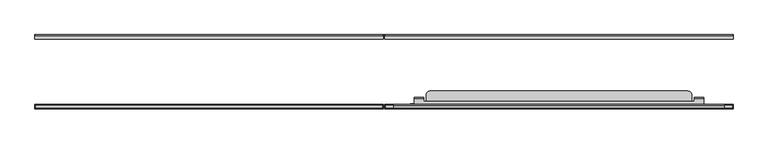
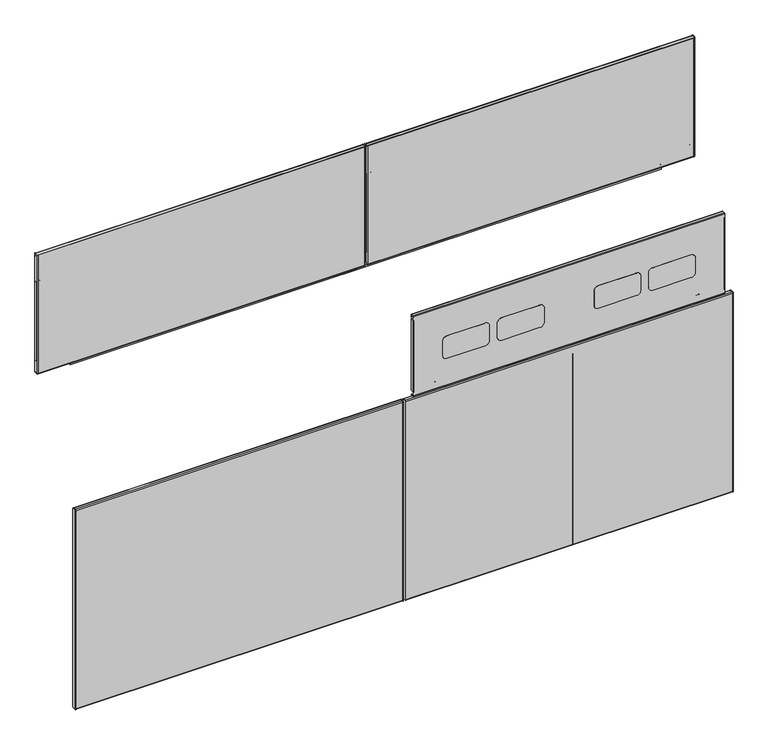
"""IFC4 building model written with IfcOpenShell, lengths in millimetres: furniture geometry."""

from ifc_helpers import new_model, si_unit, point, frame, frame_2d, origin, place, context, project, spatial, polyline, circle_curve, trimmed, segment, composite_curve, outline, extrude, source, transform, mapped, element, save
from ifc_brep_helpers import plane_surface, cylinder_surface, revolved_surface, advanced_brep


def furniture_cd7eec9d(model_context):
    return source(origin(), model_context, "Body", "SolidModel", [
        extrude(outline(composite_curve([segment(polyline([(734.9612073, 688.818702), (734.9612073, 1444.8539044), (745.1433918, 1444.8539044)]), True, "CONTINUOUS"), segment(trimmed(circle_curve(frame_2d((745.1433918, 1443.0360946)), 1.8178098), [point((745.1433918, 1444.8539044))], [point((746.9612016, 1443.0360946))], False, "CARTESIAN"), True, "CONTINUOUS"), segment(polyline([(746.9612016, 1443.0360946), (746.9612016, 690.2508917)]), True, "CONTINUOUS"), segment(trimmed(circle_curve(frame_2d((745.5290119, 690.2508917)), 1.4321897), [point((746.9612016, 690.2508917))], [point((745.5290119, 688.818702))], False, "CARTESIAN"), True, "CONTINUOUS"), segment(polyline([(745.5290119, 688.818702), (734.9612073, 688.818702)]), True, "CONTINUOUS")], self_intersect=False)), frame((0.0, -58.6781407, 0.0), z_axis=(0.0, 1.0, 0.0), x_axis=(0.0, 0.0, 1.0)), (0.0, 0.0, 1.0), 7.3431383),
        extrude(outline(composite_curve([segment(polyline([(825.6287108, 775.0859018), (960.2347544, 775.0859018)]), True, "CONTINUOUS"), segment(trimmed(circle_curve(frame_2d((960.2347544, 772.8594545)), 2.2264474), [point((960.2347544, 775.0859018))], [point((962.4612018, 772.8594545))], False, "CARTESIAN"), True, "CONTINUOUS"), segment(polyline([(962.4612018, 772.8594545), (962.4612018, 764.0000233), (769.9612512, 764.0000233), (769.9612512, 773.3819869)]), True, "CONTINUOUS"), segment(trimmed(circle_curve(frame_2d((771.6651662, 773.3819869)), 1.703915), [point((769.9612512, 773.3819869))], [point((771.6651662, 775.0859018))], False, "CARTESIAN"), True, "CONTINUOUS"), segment(polyline([(771.6651662, 775.0859018), (775.0827409, 775.0859018), (775.0827409, 769.4968534), (825.6287108, 769.4968534), (825.6287108, 775.0859018)]), True, "CONTINUOUS")], self_intersect=False)), frame((0.0, -58.6781407, 0.0), z_axis=(0.0, 1.0, 0.0), x_axis=(0.0, 0.0, 1.0)), (0.0, 0.0, 1.0), 7.3431383),
        extrude(outline(composite_curve([segment(polyline([(825.6287108, 1510.9878843), (825.6287108, 1516.5768844), (775.0827409, 1516.576885), (775.0827409, 1510.9878843), (771.3508741, 1510.9878843)]), True, "CONTINUOUS"), segment(trimmed(circle_curve(frame_2d((771.3508741, 1512.3775072)), 1.3896229), [point((771.3508741, 1510.9878843))], [point((769.9612512, 1512.3775072))], False, "CARTESIAN"), True, "CONTINUOUS"), segment(polyline([(769.9612512, 1512.3775072), (769.9612512, 1522.0000044), (962.4612018, 1522.0000044), (962.4612018, 1512.5471973)]), True, "CONTINUOUS"), segment(trimmed(circle_curve(frame_2d((960.9018888, 1512.5471973)), 1.559313), [point((962.4612018, 1512.5471973))], [point((960.9018888, 1510.9878843))], False, "CARTESIAN"), True, "CONTINUOUS"), segment(polyline([(960.9018888, 1510.9878843), (825.6287108, 1510.9878843)]), True, "CONTINUOUS")], self_intersect=False)), frame((0.0, -58.6781407, 0.0), z_axis=(0.0, 1.0, 0.0), x_axis=(0.0, 0.0, 1.0)), (0.0, 0.0, 1.0), 7.3431383),
        extrude(outline(polyline([(764.0000233, -51.3350025), (1522.0000044, -51.3350025), (1522.0000044, -60.8600025), (764.0000233, -60.8600025), (764.0000233, -51.3350025)])), frame((0.0, 0.0, 740.3599691), z_axis=(0.0, 0.0, 1.0), x_axis=(1.0, 0.0, 0.0)), (0.0, 0.0, 1.0), 0.9118629),
        extrude(outline(composite_curve([segment(trimmed(circle_curve(frame_2d((-53.4811786, 1029.2138314)), 1.2343177), [point((-52.2468609, 1029.2138314))], [point((-53.4811786, 1030.4481491))], True, "CARTESIAN"), True, "CONTINUOUS"), segment(polyline([(-53.4811786, 1030.4481491), (-60.8600025, 1030.4481491), (-60.8600025, 1031.3600121), (-53.3140334, 1031.3600121)]), True, "CONTINUOUS"), segment(trimmed(circle_curve(frame_2d((-53.3140334, 1029.3809811)), 1.9790309), [point((-53.3140334, 1031.3600121))], [point((-51.3350025, 1029.3809811))], False, "CARTESIAN"), True, "CONTINUOUS"), segment(polyline([(-51.3350025, 1029.3809811), (-51.3350025, 1023.3599916), (-52.2468609, 1023.3599916), (-52.2468609, 1029.2138314)]), True, "CONTINUOUS")], self_intersect=False)), frame((764.0000233, 0.0, 0.0), z_axis=(1.0, 0.0, 0.0), x_axis=(0.0, 1.0, 0.0)), (0.0, 0.0, 1.0), 757.9999811),
        extrude(outline(composite_curve([segment(polyline([(1522.0000044, -51.3350025), (1522.0000044, -58.637242)]), True, "CONTINUOUS"), segment(trimmed(circle_curve(frame_2d((1519.7772439, -58.637242)), 2.2227605), [point((1522.0000044, -58.637242))], [point((1519.7772439, -60.8600025))], False, "CARTESIAN"), True, "CONTINUOUS"), segment(polyline([(1519.7772439, -60.8600025), (766.5400233, -60.8600025)]), True, "CONTINUOUS"), segment(trimmed(circle_curve(frame_2d((766.5400233, -58.3200025)), 2.54), [point((766.5400233, -60.8600025))], [point((764.0000233, -58.3200025))], False, "CARTESIAN"), True, "CONTINUOUS"), segment(polyline([(764.0000233, -58.3200025), (764.0000233, -51.3350025), (764.927504, -51.3350025), (764.927504, -58.5359447)]), True, "CONTINUOUS"), segment(trimmed(circle_curve(frame_2d((766.3396987, -58.5359447)), 1.4121948), [point((764.927504, -58.5359447))], [point((766.3396987, -59.9481395))], True, "CARTESIAN"), True, "CONTINUOUS"), segment(polyline([(766.3396987, -59.9481395), (1519.9706627, -59.9481395)]), True, "CONTINUOUS"), segment(trimmed(circle_curve(frame_2d((1519.9706627, -58.8306579)), 1.1174816), [point((1519.9706627, -59.9481395))], [point((1521.0881443, -58.8306579))], True, "CARTESIAN"), True, "CONTINUOUS"), segment(polyline([(1521.0881443, -58.8306579), (1521.0881443, -51.3350025), (1522.0000044, -51.3350025)]), True, "CONTINUOUS")], self_intersect=False)), frame((0.0, 0.0, 740.3599691), z_axis=(0.0, 0.0, 1.0), x_axis=(1.0, 0.0, 0.0)), (0.0, 0.0, 1.0), 291.0000429),
        extrude(outline(composite_curve([segment(polyline([(734.9612073, 835.181298), (745.5290119, 835.181298)]), True, "CONTINUOUS"), segment(trimmed(circle_curve(frame_2d((745.5290119, 833.7491083)), 1.4321897), [point((745.5290119, 835.181298))], [point((746.9612016, 833.7491083))], False, "CARTESIAN"), True, "CONTINUOUS"), segment(polyline([(746.9612016, 833.7491083), (746.9612016, 80.9639054)]), True, "CONTINUOUS"), segment(trimmed(circle_curve(frame_2d((745.1433918, 80.9639054)), 1.8178098), [point((746.9612016, 80.9639054))], [point((745.1433918, 79.1460956))], False, "CARTESIAN"), True, "CONTINUOUS"), segment(polyline([(745.1433918, 79.1460956), (734.9612073, 79.1460956), (734.9612073, 835.181298)]), True, "CONTINUOUS")], self_intersect=False)), frame((0.0, -58.6781407, 0.0), z_axis=(0.0, 1.0, 0.0), x_axis=(0.0, 0.0, 1.0)), (0.0, 0.0, 1.0), 7.3431383),
        extrude(outline(composite_curve([segment(polyline([(825.6287108, 748.9140982), (825.6287108, 754.5031466), (775.0827409, 754.5031466), (775.0827409, 748.9140982), (771.6651662, 748.9140982)]), True, "CONTINUOUS"), segment(trimmed(circle_curve(frame_2d((771.6651662, 750.6180131)), 1.703915), [point((771.6651662, 748.9140982))], [point((769.9612512, 750.6180131))], False, "CARTESIAN"), True, "CONTINUOUS"), segment(polyline([(769.9612512, 750.6180131), (769.9612512, 759.9999767), (962.4612018, 759.9999767), (962.4612018, 751.1405455)]), True, "CONTINUOUS"), segment(trimmed(circle_curve(frame_2d((960.2347544, 751.1405455)), 2.2264474), [point((962.4612018, 751.1405455))], [point((960.2347544, 748.9140982))], False, "CARTESIAN"), True, "CONTINUOUS"), segment(polyline([(960.2347544, 748.9140982), (825.6287108, 748.9140982)]), True, "CONTINUOUS")], self_intersect=False)), frame((0.0, -58.6781407, 0.0), z_axis=(0.0, 1.0, 0.0), x_axis=(0.0, 0.0, 1.0)), (0.0, 0.0, 1.0), 7.3431383),
        extrude(outline(composite_curve([segment(polyline([(825.6287108, 13.0121157), (960.9018888, 13.0121157)]), True, "CONTINUOUS"), segment(trimmed(circle_curve(frame_2d((960.9018888, 11.4528027)), 1.559313), [point((960.9018888, 13.0121157))], [point((962.4612018, 11.4528027))], False, "CARTESIAN"), True, "CONTINUOUS"), segment(polyline([(962.4612018, 11.4528027), (962.4612018, 1.9999956), (769.9612512, 1.9999956), (769.9612512, 11.6224928)]), True, "CONTINUOUS"), segment(trimmed(circle_curve(frame_2d((771.3508741, 11.6224928)), 1.3896229), [point((769.9612512, 11.6224928))], [point((771.3508741, 13.0121157))], False, "CARTESIAN"), True, "CONTINUOUS"), segment(polyline([(771.3508741, 13.0121157), (775.0827409, 13.0121157), (775.0827409, 7.423115), (825.6287108, 7.4231156), (825.6287108, 13.0121157)]), True, "CONTINUOUS")], self_intersect=False)), frame((0.0, -58.6781407, 0.0), z_axis=(0.0, 1.0, 0.0), x_axis=(0.0, 0.0, 1.0)), (0.0, 0.0, 1.0), 7.3431383),
        extrude(outline(polyline([(759.9999767, -51.3350025), (759.9999767, -60.8600025), (1.9999956, -60.8600025), (1.9999956, -51.3350025), (759.9999767, -51.3350025)])), frame((0.0, 0.0, 740.3599691), z_axis=(0.0, 0.0, 1.0), x_axis=(1.0, 0.0, 0.0)), (0.0, 0.0, 1.0), 0.9118629),
        extrude(outline(composite_curve([segment(trimmed(circle_curve(frame_2d((-53.4811786, 1029.2138314)), 1.2343177), [point((-52.2468609, 1029.2138314))], [point((-53.4811786, 1030.4481491))], True, "CARTESIAN"), True, "CONTINUOUS"), segment(polyline([(-53.4811786, 1030.4481491), (-60.8600025, 1030.4481491), (-60.8600025, 1031.3600121), (-53.3140334, 1031.3600121)]), True, "CONTINUOUS"), segment(trimmed(circle_curve(frame_2d((-53.3140334, 1029.3809811)), 1.9790309), [point((-53.3140334, 1031.3600121))], [point((-51.3350025, 1029.3809811))], False, "CARTESIAN"), True, "CONTINUOUS"), segment(polyline([(-51.3350025, 1029.3809811), (-51.3350025, 1023.3599916), (-52.2468609, 1023.3599916), (-52.2468609, 1029.2138314)]), True, "CONTINUOUS")], self_intersect=False)), frame((1.9999956, 0.0, 0.0), z_axis=(1.0, 0.0, 0.0), x_axis=(0.0, 1.0, 0.0)), (0.0, 0.0, 1.0), 757.9999811),
        extrude(outline(composite_curve([segment(polyline([(1.9999956, -51.3350025), (2.9118557, -51.3350025), (2.9118557, -58.8306579)]), True, "CONTINUOUS"), segment(trimmed(circle_curve(frame_2d((4.0293373, -58.8306579)), 1.1174816), [point((2.9118557, -58.8306579))], [point((4.0293373, -59.9481395))], True, "CARTESIAN"), True, "CONTINUOUS"), segment(polyline([(4.0293373, -59.9481395), (757.6603013, -59.9481395)]), True, "CONTINUOUS"), segment(trimmed(circle_curve(frame_2d((757.6603013, -58.5359447)), 1.4121948), [point((757.6603013, -59.9481395))], [point((759.072496, -58.5359447))], True, "CARTESIAN"), True, "CONTINUOUS"), segment(polyline([(759.072496, -58.5359447), (759.072496, -51.3350025), (759.9999767, -51.3350025), (759.9999767, -58.3200025)]), True, "CONTINUOUS"), segment(trimmed(circle_curve(frame_2d((757.4599767, -58.3200025)), 2.54), [point((759.9999767, -58.3200025))], [point((757.4599767, -60.8600025))], False, "CARTESIAN"), True, "CONTINUOUS"), segment(polyline([(757.4599767, -60.8600025), (4.2227561, -60.8600025)]), True, "CONTINUOUS"), segment(trimmed(circle_curve(frame_2d((4.2227561, -58.637242)), 2.2227605), [point((4.2227561, -60.8600025))], [point((1.9999956, -58.637242))], False, "CARTESIAN"), True, "CONTINUOUS"), segment(polyline([(1.9999956, -58.637242), (1.9999956, -51.3350025)]), True, "CONTINUOUS")], self_intersect=False)), frame((0.0, 0.0, 740.3599691), z_axis=(0.0, 0.0, 1.0), x_axis=(1.0, 0.0, 0.0)), (0.0, 0.0, 1.0), 291.0000429),
        extrude(outline(polyline([(1161.8214166, -206.4751401), (1155.9540058, -206.4751401), (1155.1919884, -206.6793172), (1154.6341736, -207.2371399), (1154.4300073, -207.9991398), (1154.4300073, -209.3239397), (1154.0250538, -210.8352397), (1152.9186896, -211.9415885), (1151.4074083, -212.3465398), (1134.6082399, -212.3465398), (1133.0969586, -211.9415885), (1131.9905945, -210.8352397), (1131.585641, -209.3239397), (1131.585641, -207.9991398), (1131.3814747, -207.2371399), (1130.8236599, -206.6793172), (1130.0616425, -206.4751401), (1124.1942317, -206.4751401), (1124.1942317, -204.97654), (1130.0616425, -204.97654), (1131.5729601, -205.3814916), (1132.6792879, -206.48784), (1133.0842414, -207.9991398), (1133.0842414, -209.3239397), (1133.2884077, -210.0859401), (1133.8462588, -210.6437628), (1134.6082399, -210.8479399), (1151.4074083, -210.8479399), (1152.1693894, -210.6437628), (1152.7272406, -210.0859401), (1152.9314069, -209.3239397), (1152.9314069, -207.9991398), (1153.3363604, -206.48784), (1154.4426882, -205.3814916), (1155.9540058, -204.97654), (1161.8214166, -204.97654), (1161.8214166, -206.4751401)])), frame((0.0, 0.0, 13.511849), z_axis=(0.0, 0.0, 1.0), x_axis=(1.0, 0.0, 0.0)), (0.0, 0.0, 1.0), 465.0000042),
        extrude(outline(composite_curve([segment(polyline([(-206.0205708, 12.9809891), (-213.2583999, 12.9809891), (-213.2583999, 500.6190067), (-205.8612792, 500.6190067)]), True, "CONTINUOUS"), segment(trimmed(circle_curve(frame_2d((-205.8612792, 498.4911276)), 2.1278792), [point((-205.8612792, 500.6190067))], [point((-203.7334, 498.4911276))], False, "CARTESIAN"), True, "CONTINUOUS"), segment(polyline([(-203.7334, 498.4911276), (-203.7334, 15.2681599)]), True, "CONTINUOUS"), segment(trimmed(circle_curve(frame_2d((-206.0205708, 15.2681599)), 2.2871708), [point((-203.7334, 15.2681599))], [point((-206.0205708, 12.9809891))], False, "CARTESIAN"), True, "CONTINUOUS")], self_intersect=False)), frame((764.0000233, 0.0, 0.0), z_axis=(1.0, 0.0, 0.0), x_axis=(0.0, 1.0, 0.0)), (0.0, 0.0, 1.0), 0.9274807),
        extrude(outline(composite_curve([segment(polyline([(-206.0205708, 12.9809891), (-213.2583999, 12.9809891), (-213.2583999, 500.6190067), (-205.8612792, 500.6190067)]), True, "CONTINUOUS"), segment(trimmed(circle_curve(frame_2d((-205.8612792, 498.4911276)), 2.1278792), [point((-205.8612792, 500.6190067))], [point((-203.7334, 498.4911276))], False, "CARTESIAN"), True, "CONTINUOUS"), segment(polyline([(-203.7334, 498.4911276), (-203.7334, 15.2681599)]), True, "CONTINUOUS"), segment(trimmed(circle_curve(frame_2d((-206.0205708, 15.2681599)), 2.2871708), [point((-203.7334, 15.2681599))], [point((-206.0205708, 12.9809891))], False, "CARTESIAN"), True, "CONTINUOUS")], self_intersect=False)), frame((1521.0881443, 0.0, 0.0), z_axis=(1.0, 0.0, 0.0), x_axis=(0.0, 1.0, 0.0)), (0.0, 0.0, 1.0), 0.9118601),
        extrude(outline(polyline([(76.8619872, 764.927504), (76.8619872, 777.049019), (156.5539797, 777.049019), (156.5539797, 771.4600188), (207.099986, 771.4600188), (207.099986, 777.049019), (437.5000033, 777.049019), (437.5000033, 764.927504), (76.8619872, 764.927504)])), frame((0.0, -204.82433, 0.0), z_axis=(0.0, 1.0, 0.0), x_axis=(0.0, 0.0, 1.0)), (0.0, 0.0, 1.0), 0.7986162),
        extrude(outline(polyline([(76.8619872, 1521.0881443), (437.5000033, 1521.0881443), (437.5000033, 1510.9510043), (207.099986, 1510.9510043), (207.099986, 1516.5400044), (156.5539797, 1516.5400044), (156.5539797, 1510.9510043), (76.8619872, 1510.9510043), (76.8619872, 1521.0881443)])), frame((0.0, -204.82433, 0.0), z_axis=(0.0, 1.0, 0.0), x_axis=(0.0, 0.0, 1.0)), (0.0, 0.0, 1.0), 0.7986162),
        extrude(outline(composite_curve([segment(trimmed(circle_curve(frame_2d((-206.0131195, 498.7202595)), 2.2797196), [point((-206.0131195, 500.9999791))], [point((-203.7334, 498.7202595))], False, "CARTESIAN"), True, "CONTINUOUS"), segment(polyline([(-203.7334, 498.7202595), (-203.7334, 486.0902061), (-204.64526, 486.0902061), (-204.64526, 498.7756083)]), True, "CONTINUOUS"), segment(trimmed(circle_curve(frame_2d((-205.9577679, 498.7756083)), 1.3125079), [point((-204.64526, 498.7756083))], [point((-205.9577679, 500.0881162))], True, "CARTESIAN"), True, "CONTINUOUS"), segment(polyline([(-205.9577679, 500.0881162), (-211.0778208, 500.0881162)]), True, "CONTINUOUS"), segment(trimmed(circle_curve(frame_2d((-211.0778208, 498.8193972)), 1.2687189), [point((-211.0778208, 500.0881162))], [point((-212.3465398, 498.8193972))], True, "CARTESIAN"), True, "CONTINUOUS"), segment(polyline([(-212.3465398, 498.8193972), (-212.3465398, 14.9389212)]), True, "CONTINUOUS"), segment(trimmed(circle_curve(frame_2d((-210.9194675, 14.9389212)), 1.4270722), [point((-212.3465398, 14.9389212))], [point((-210.9194675, 13.511849))], True, "CARTESIAN"), True, "CONTINUOUS"), segment(polyline([(-210.9194675, 13.511849), (-205.9776146, 13.511849)]), True, "CONTINUOUS"), segment(trimmed(circle_curve(frame_2d((-205.9776146, 14.8442036)), 1.3323546), [point((-205.9776146, 13.511849))], [point((-204.64526, 14.8442036))], True, "CARTESIAN"), True, "CONTINUOUS"), segment(polyline([(-204.64526, 14.8442036), (-204.64526, 24.5989482), (-203.7334, 24.5989482), (-203.7334, 14.8055187)]), True, "CONTINUOUS"), segment(trimmed(circle_curve(frame_2d((-205.9389292, 14.8055187)), 2.2055292), [point((-203.7334, 14.8055187))], [point((-205.9389292, 12.5999894))], False, "CARTESIAN"), True, "CONTINUOUS"), segment(polyline([(-205.9389292, 12.5999894), (-211.149738, 12.5999894)]), True, "CONTINUOUS"), segment(trimmed(circle_curve(frame_2d((-211.149738, 14.7086513)), 2.1086618), [point((-211.149738, 12.5999894))], [point((-213.2583999, 14.7086513))], False, "CARTESIAN"), True, "CONTINUOUS"), segment(polyline([(-213.2583999, 14.7086513), (-213.2583999, 498.8134963)]), True, "CONTINUOUS"), segment(trimmed(circle_curve(frame_2d((-211.0719171, 498.8134963)), 2.1864828), [point((-213.2583999, 498.8134963))], [point((-211.0719171, 500.9999791))], False, "CARTESIAN"), True, "CONTINUOUS"), segment(polyline([(-211.0719171, 500.9999791), (-206.0131195, 500.9999791)]), True, "CONTINUOUS")], self_intersect=False)), frame((764.927504, 0.0, 0.0), z_axis=(1.0, 0.0, 0.0), x_axis=(0.0, 1.0, 0.0)), (0.0, 0.0, 1.0), 756.1606403),
        advanced_brep(
        [(828.3614149, -189.0734003, 484.7619804), (828.3614149, -189.0734003, 502.380488), (828.3614149, -190.6453154, 503.9524031), (828.3614149, -205.2802599, 503.9524031), (828.3614149, -205.2802599, 504.7619951), (828.3614149, -190.2544323, 504.7619951), (828.3614149, -188.2141807, 502.7217435), (828.3614149, -188.2141807, 484.7619804), (1457.6385987, -189.0734003, 484.7619804), (1457.6385987, -188.2141807, 484.7619804), (1457.6385987, -188.2141807, 502.7217435), (1457.6385987, -190.2544323, 504.7619951), (1457.6385987, -205.2802599, 504.7619951), (1457.6385987, -205.2802599, 503.9524031), (1457.6385987, -190.6453154, 503.9524031), (1457.6385987, -189.0734003, 502.380488), (1437.6385977, -189.0734003, 484.7619804), (1437.6385977, -188.2141807, 484.7619804), (848.3614296, -188.2141807, 484.7619804), (848.3614296, -189.0734003, 484.7619804), (1437.6385977, -188.2141807, 502.7217435), (848.3614296, -188.2141807, 502.7217435), (1437.6385977, -190.2544323, 504.7619951), (848.3614296, -190.2544323, 504.7619951), (1437.6385977, -196.3134, 504.7619951), (848.3614296, -196.3134, 504.7619951), (848.3614296, -190.6453154, 503.9524031), (848.3614296, -196.3134, 503.9524031), (1437.6385977, -196.3134, 503.9524031), (1437.6385977, -190.6453154, 503.9524031), (1437.6385977, -189.0734003, 502.380488), (848.3614296, -189.0734003, 502.380488)],
        [
            (0, 1),
            (1, 2, circle_curve(frame((828.3614149, -190.6453154, 502.380488), z_axis=(1.0, 0.0, 0.0), x_axis=(0.0, 1.0, 0.0)), 1.571915)),
            (2, 3),
            (3, 4),
            (4, 5),
            (5, 6, circle_curve(frame((828.3614149, -190.2544323, 502.7217435), z_axis=(-1.0, 0.0, 0.0), x_axis=(0.0, 1.0, 0.0)), 2.0402516)),
            (6, 7),
            (7, 0),
            (8, 9),
            (9, 10),
            (10, 11, circle_curve(frame((1457.6385987, -190.2544323, 502.7217435), z_axis=(1.0, 0.0, 0.0), x_axis=(0.0, 1.0, 0.0)), 2.0402516)),
            (11, 12),
            (12, 13),
            (13, 14),
            (14, 15, circle_curve(frame((1457.6385987, -190.6453154, 502.380488), z_axis=(-1.0, 0.0, 0.0), x_axis=(0.0, 1.0, 0.0)), 1.571915)),
            (15, 8),
            (8, 16),
            (16, 17),
            (17, 9),
            (7, 18),
            (18, 19),
            (19, 0),
            (17, 20),
            (20, 10),
            (6, 21),
            (21, 18),
            (20, 22, circle_curve(frame((1437.6385977, -190.2544323, 502.7217435), z_axis=(1.0, 0.0, 0.0), x_axis=(0.0, 1.0, 0.0)), 2.0402516)),
            (22, 11),
            (5, 23),
            (23, 21, circle_curve(frame((848.3614296, -190.2544323, 502.7217435), z_axis=(-1.0, 0.0, 0.0), x_axis=(0.0, 1.0, 0.0)), 2.0402516)),
            (4, 12),
            (22, 24),
            (24, 25),
            (25, 23),
            (3, 13),
            (2, 26),
            (26, 27),
            (27, 28),
            (28, 29),
            (29, 14),
            (29, 30, circle_curve(frame((1437.6385977, -190.6453154, 502.380488), z_axis=(-1.0, 0.0, 0.0), x_axis=(0.0, 1.0, 0.0)), 1.571915)),
            (30, 15),
            (1, 31),
            (31, 26, circle_curve(frame((848.3614296, -190.6453154, 502.380488), z_axis=(1.0, 0.0, 0.0), x_axis=(0.0, 1.0, 0.0)), 1.571915)),
            (19, 31),
            (30, 16),
            (27, 25),
            (24, 28),
        ],
        [
            plane_surface(frame((828.3614149, -189.0734003, 484.7619804), z_axis=(-1.0, 0.0, 0.0), x_axis=(0.0, 1.0, 0.0))),
            plane_surface(frame((1457.6385987, -189.0734003, 484.7619804), z_axis=(1.0, 0.0, 0.0), x_axis=(0.0, -1.0, 0.0))),
            plane_surface(frame((828.3614149, -189.0734003, 484.7619804), z_axis=(0.0, 0.0, -1.0), x_axis=(1.0, 0.0, 0.0))),
            plane_surface(frame((828.3614149, -188.2141807, 484.7619804), z_axis=(0.0, 1.0, 0.0), x_axis=(1.0, 0.0, 0.0))),
            cylinder_surface(frame((1457.6385987, -190.2544323, 502.7217435), z_axis=(-1.0, 0.0, 0.0), x_axis=(0.0, 1.0, 0.0)), 2.0402516),
            plane_surface(frame((828.3614149, -190.2544323, 504.7619951), z_axis=(0.0, 0.0, 1.0), x_axis=(1.0, 0.0, 0.0))),
            plane_surface(frame((828.3614149, -205.2802599, 504.7619951), z_axis=(0.0, -1.0, 0.0), x_axis=(1.0, 0.0, 0.0))),
            plane_surface(frame((828.3614149, -205.2802599, 503.9524031), z_axis=(0.0, 0.0, -1.0), x_axis=(1.0, 0.0, 0.0))),
            revolved_surface(polyline([(1457.6385987, -189.0734004, 502.380488), (1437.6385977, -189.0734004, 502.380488)]), (1457.6385987, -190.6453154, 502.380488), (1.0, 0.0, 0.0)),
            revolved_surface(polyline([(848.3614296, -189.0734004, 502.380488), (828.3614149, -189.0734004, 502.380488)]), (1457.6385987, -190.6453154, 502.380488), (1.0, 0.0, 0.0)),
            plane_surface(frame((828.3614149, -189.0734003, 502.380488), z_axis=(0.0, -1.0, 0.0), x_axis=(1.0, 0.0, 0.0))),
            plane_surface(frame((1437.6385977, -196.3134, 504.7619951), z_axis=(0.0, 1.0, 0.0), x_axis=(0.0, 0.0, -1.0))),
            plane_surface(frame((848.3614296, -196.3134, 504.7619951), z_axis=(1.0, 0.0, 0.0), x_axis=(0.0, 0.0, -1.0))),
            plane_surface(frame((1437.6385977, -188.2141807, 504.7619951), z_axis=(-1.0, 0.0, 0.0), x_axis=(0.0, 0.0, -1.0))),
        ],
        [
            (0, [[1, 2, 3, 4, 5, 6, 7, 8]]),
            (1, [[9, 10, 11, 12, 13, 14, 15, 16]]),
            (2, [[17, 18, 19, -9]]),
            (2, [[20, 21, 22, -8]]),
            (3, [[-19, 23, 24, -10]]),
            (3, [[25, 26, -20, -7]]),
            (4, [[-24, 27, 28, -11]]),
            (4, [[29, 30, -25, -6]]),
            (5, [[31, -12, -28, 32, 33, 34, -29, -5]]),
            (6, [[35, -13, -31, -4]]),
            (7, [[36, 37, 38, 39, 40, -14, -35, -3]]),
            (8, [[-40, 41, 42, -15]]),
            (9, [[43, 44, -36, -2]]),
            (10, [[-22, 45, -43, -1]]),
            (10, [[-42, 46, -17, -16]]),
            (11, [[-38, 47, -33, 48]]),
            (12, [[-37, -44, -45, -21, -26, -30, -34, -47]]),
            (13, [[-32, -27, -23, -18, -46, -41, -39, -48]]),
        ],
    ),
        advanced_brep(
        [(819.211392, -202.8234, 481.0000008), (819.211392, -203.7334, 481.0000008), (819.211392, -203.7334, 499.164291), (819.211392, -202.3166887, 500.9515261), (819.211392, -202.3166887, 500.0149173), (819.211392, -202.8234, 499.2323507), (1466.8000031, -203.7334, 481.0000008), (1466.8000031, -203.20254, 481.0000008), (1466.8000031, -203.20254, 500.4554821), (1466.8000031, -203.7334, 499.164291), (1457.6385987, -202.8234, 499.2323507), (1457.6385987, -202.8234, 481.0000008), (830.3614154, -202.3166887, 500.0149173), (830.3614154, -201.9657451, 500.0900056), (1457.6385987, -201.9657451, 500.0900056), (1431.7886005, -181.7333994, 500.0900056), (1431.7886005, -196.3134, 500.0900056), (1457.6385987, -196.3134, 500.0900056), (830.3614154, -196.3134, 500.0900056), (854.12782, -196.3134, 500.0900056), (854.12782, -181.7333994, 500.0900056), (855.1996205, -177.7334005, 500.0900056), (858.1278211, -174.8051976, 500.0900056), (862.1278222, -173.7333994, 500.0900056), (1423.7885982, -173.7333994, 500.0900056), (1427.7885994, -174.8051976, 500.0900056), (1430.7168, -177.7334005, 500.0900056), (862.1278222, -173.7333994, 500.9999791), (1423.7885982, -173.7333994, 500.9999791), (1430.7168, -177.7334005, 500.9999791), (1427.7885994, -174.8051976, 500.9999791), (858.1278211, -174.8051976, 500.9999791), (855.1996205, -177.7334005, 500.9999791), (854.12782, -181.7333994, 500.9999791), (854.12782, -196.3134, 500.9999791), (830.3614154, -196.3134, 500.9999791), (830.3614154, -201.8977118, 500.9999791), (1457.6385987, -201.8977118, 500.9999791), (1457.6385987, -196.3134, 500.9999791), (1431.7886005, -196.3134, 500.9999791), (1431.7886005, -181.7333994, 500.9999791), (1457.6385987, -203.20254, 500.4554821), (830.3614154, -202.3166887, 500.9515261), (1457.6385987, -203.20254, 481.0000008)],
        [
            (0, 1),
            (1, 2),
            (2, 3, circle_curve(frame((819.211392, -201.8977118, 499.164291), z_axis=(-1.0, 0.0, 0.0), x_axis=(0.0, 1.0, 0.0)), 1.8356882)),
            (3, 4),
            (4, 5, circle_curve(frame((819.211392, -201.9657451, 499.2323507), z_axis=(1.0, 0.0, 0.0), x_axis=(0.0, 1.0, 0.0)), 0.8576549)),
            (5, 0),
            (6, 7),
            (7, 8),
            (8, 9, circle_curve(frame((1466.8000031, -201.8977118, 499.164291), z_axis=(1.0, 0.0, 0.0), x_axis=(0.0, 1.0, 0.0)), 1.8356882)),
            (9, 6),
            (5, 10),
            (10, 11),
            (11, 0),
            (4, 12),
            (12, 13, circle_curve(frame((830.3614154, -201.9657451, 499.2323507), z_axis=(-1.0, 0.0, 0.0), x_axis=(0.0, 1.0, 0.0)), 0.8576549)),
            (13, 14),
            (14, 10, circle_curve(frame((1457.6385987, -201.9657451, 499.2323507), z_axis=(1.0, 0.0, 0.0), x_axis=(0.0, 1.0, 0.0)), 0.8576549)),
            (15, 16),
            (16, 17),
            (17, 14),
            (13, 18),
            (18, 19),
            (19, 20),
            (20, 21),
            (21, 22),
            (22, 23),
            (23, 24),
            (24, 25),
            (25, 26),
            (26, 15),
            (23, 27),
            (27, 28),
            (28, 24),
            (29, 30),
            (30, 28),
            (27, 31),
            (31, 32),
            (32, 33),
            (33, 34),
            (34, 35),
            (35, 36),
            (36, 37),
            (37, 38),
            (38, 39),
            (39, 40),
            (40, 29),
            (8, 41),
            (41, 37, circle_curve(frame((1457.6385987, -201.8977118, 499.164291), z_axis=(-1.0, 0.0, 0.0), x_axis=(0.0, 1.0, 0.0)), 1.8356882)),
            (36, 42, circle_curve(frame((830.3614154, -201.8977118, 499.164291), z_axis=(1.0, 0.0, 0.0), x_axis=(0.0, 1.0, 0.0)), 1.8356882)),
            (42, 3),
            (2, 9),
            (1, 6),
            (11, 43),
            (43, 7),
            (26, 29),
            (40, 15),
            (25, 30),
            (43, 41),
            (17, 38),
            (16, 39),
            (20, 33),
            (32, 21),
            (31, 22),
            (42, 12),
            (35, 18),
            (34, 19),
        ],
        [
            plane_surface(frame((819.211392, -202.8234, 494.4355179), z_axis=(-1.0, 0.0, 0.0), x_axis=(0.0, 0.0, 1.0))),
            plane_surface(frame((1466.8000031, -202.8234, 494.4355179), z_axis=(1.0, 0.0, 0.0), x_axis=(0.0, 0.0, -1.0))),
            plane_surface(frame((819.211392, -202.8234, 481.0000008), z_axis=(0.0, 1.0, 0.0), x_axis=(1.0, 0.0, 0.0))),
            revolved_surface(polyline([(1457.6385987, -201.1080902, 499.2323507), (819.211392, -201.1080902, 499.2323507)]), (1466.8000031, -201.9657451, 499.2323507), (1.0, 0.0, 0.0)),
            plane_surface(frame((819.211392, -201.9657451, 500.0900056), z_axis=(0.0, 0.0, -1.0), x_axis=(1.0, 0.0, 0.0))),
            plane_surface(frame((819.211392, -173.7333994, 500.0900056), z_axis=(0.0, 1.0, 0.0), x_axis=(1.0, 0.0, 0.0))),
            plane_surface(frame((819.211392, -173.7333994, 500.9999791), z_axis=(0.0, 0.0, 1.0), x_axis=(1.0, 0.0, 0.0))),
            cylinder_surface(frame((1466.8000031, -201.8977118, 499.164291), z_axis=(-1.0, 0.0, 0.0), x_axis=(0.0, 1.0, 0.0)), 1.8356882),
            plane_surface(frame((819.211392, -203.7334, 499.164291), z_axis=(0.0, -1.0, 0.0), x_axis=(1.0, 0.0, 0.0))),
            plane_surface(frame((819.211392, -203.7334, 481.0000008), z_axis=(0.0, 0.0, -1.0), x_axis=(1.0, 0.0, 0.0))),
            plane_surface(frame((1431.7886005, -181.7333994, 533.1392388), z_axis=(0.9659255828324517, 0.2588199536932742, 0.0), x_axis=(0.0, 0.0, -1.0))),
            plane_surface(frame((1430.7168, -177.7334005, 533.1392388), z_axis=(0.707107055381215, 0.7071065069917737, 0.0), x_axis=(0.0, 0.0, -1.0))),
            plane_surface(frame((1427.7885994, -174.8051976, 533.1392388), z_axis=(0.25881930494190625, 0.9659257566652774, 0.0), x_axis=(0.0, 0.0, -1.0))),
            plane_surface(frame((1466.7885989, -203.20254, 533.1392388), z_axis=(0.0, 1.0, 0.0), x_axis=(0.0, 0.0, -1.0))),
            plane_surface(frame((1457.6385987, -203.20254, 533.1392388), z_axis=(1.0, 0.0, 0.0), x_axis=(0.0, 0.0, -1.0))),
            plane_surface(frame((1457.6385987, -196.3134, 533.1392388), z_axis=(0.0, 1.0, 0.0), x_axis=(0.0, 0.0, -1.0))),
            plane_surface(frame((1431.7886005, -196.3134, 533.1392388), z_axis=(1.0, 0.0, 0.0), x_axis=(0.0, 0.0, -1.0))),
            plane_surface(frame((855.1996205, -177.7334005, 531.699196), z_axis=(-0.9659255828324518, 0.258819953693274, 0.0), x_axis=(0.0, 0.0, -1.0))),
            plane_surface(frame((858.1278211, -174.8051976, 531.699196), z_axis=(-0.707107055381215, 0.7071065069917737, 0.0), x_axis=(0.0, 0.0, -1.0))),
            plane_surface(frame((862.1278222, -173.7333994, 531.699196), z_axis=(-0.25881930494190625, 0.9659257566652774, 0.0), x_axis=(0.0, 0.0, -1.0))),
            plane_surface(frame((830.3614154, -202.3166887, 531.699196), z_axis=(0.0, 1.0, 0.0), x_axis=(0.0, 0.0, -1.0))),
            plane_surface(frame((830.3614154, -196.3134, 531.699196), z_axis=(-1.0, 0.0, 0.0), x_axis=(0.0, 0.0, -1.0))),
            plane_surface(frame((854.12782, -196.3134, 531.699196), z_axis=(0.0, 1.0, 0.0), x_axis=(0.0, 0.0, -1.0))),
            plane_surface(frame((854.12782, -181.7333994, 531.699196), z_axis=(-1.0, 0.0, 0.0), x_axis=(0.0, 0.0, -1.0))),
        ],
        [
            (0, [[1, 2, 3, 4, 5, 6]]),
            (1, [[7, 8, 9, 10]]),
            (2, [[11, 12, 13, -6]]),
            (3, [[-5, 14, 15, 16, 17, -11]]),
            (4, [[18, 19, 20, -16, 21, 22, 23, 24, 25, 26, 27, 28, 29, 30]]),
            (5, [[-27, 31, 32, 33]]),
            (6, [[34, 35, -32, 36, 37, 38, 39, 40, 41, 42, 43, 44, 45, 46]]),
            (7, [[-9, 47, 48, -42, 49, 50, -3, 51]]),
            (8, [[52, -10, -51, -2]]),
            (9, [[-13, 53, 54, -7, -52, -1]]),
            (10, [[-30, 55, -46, 56]]),
            (11, [[-29, 57, -34, -55]]),
            (12, [[-28, -33, -35, -57]]),
            (13, [[-47, -8, -54, 58]]),
            (14, [[-53, -12, -17, -20, 59, -43, -48, -58]]),
            (15, [[-19, 60, -44, -59]]),
            (16, [[-45, -60, -18, -56]]),
            (17, [[-24, 61, -38, 62]]),
            (18, [[-37, 63, -25, -62]]),
            (19, [[-36, -31, -26, -63]]),
            (20, [[-14, -4, -50, 64]]),
            (21, [[-49, -41, 65, -21, -15, -64]]),
            (22, [[-40, 66, -22, -65]]),
            (23, [[-39, -61, -23, -66]]),
        ],
    ),
        extrude(outline(composite_curve([segment(trimmed(circle_curve(frame_2d((616.0389877, 1424.8543456)), 9.9868524), [point((616.0389877, 1434.841198))], [point((626.0258401, 1424.8543456))], False, "CARTESIAN"), True, "CONTINUOUS"), segment(polyline([(626.0258401, 1424.8543456), (626.0258401, 1336.1967238)]), True, "CONTINUOUS"), segment(trimmed(circle_curve(frame_2d((616.7203082, 1336.1967238)), 9.3055319), [point((626.0258401, 1336.1967238))], [point((616.7203082, 1326.8911919))], False, "CARTESIAN"), True, "CONTINUOUS"), segment(polyline([(616.7203082, 1326.8911919), (580.9036446, 1326.8911919)]), True, "CONTINUOUS"), segment(trimmed(circle_curve(frame_2d((580.9036446, 1336.6330062)), 9.7418143), [point((580.9036446, 1326.8911919))], [point((571.1618302, 1336.6330062))], False, "CARTESIAN"), True, "CONTINUOUS"), segment(polyline([(571.1618302, 1336.6330062), (571.1618302, 1425.305977)]), True, "CONTINUOUS"), segment(trimmed(circle_curve(frame_2d((580.6970512, 1425.305977)), 9.535221), [point((571.1618302, 1425.305977))], [point((580.6970512, 1434.841198))], False, "CARTESIAN"), True, "CONTINUOUS"), segment(polyline([(580.6970512, 1434.841198), (616.0389877, 1434.841198)]), True, "CONTINUOUS")], self_intersect=False)), frame((0.0, -213.6020823, 0.0), z_axis=(0.0, 1.0, 0.0), x_axis=(0.0, 0.0, 1.0)), (0.0, 0.0, 1.0), 0.2886826),
        extrude(outline(composite_curve([segment(trimmed(circle_curve(frame_2d((616.0389877, 1298.5655425)), 9.9868524), [point((616.0389877, 1308.5523949))], [point((626.0258401, 1298.5655425))], False, "CARTESIAN"), True, "CONTINUOUS"), segment(polyline([(626.0258401, 1298.5655425), (626.0258401, 1209.9079389)]), True, "CONTINUOUS"), segment(trimmed(circle_curve(frame_2d((616.7203082, 1209.9079389)), 9.3055319), [point((626.0258401, 1209.9079389))], [point((616.7203082, 1200.602407))], False, "CARTESIAN"), True, "CONTINUOUS"), segment(polyline([(616.7203082, 1200.602407), (580.9036446, 1200.602407)]), True, "CONTINUOUS"), segment(trimmed(circle_curve(frame_2d((580.9036446, 1210.3442213)), 9.7418143), [point((580.9036446, 1200.602407))], [point((571.1618302, 1210.3442213))], False, "CARTESIAN"), True, "CONTINUOUS"), segment(polyline([(571.1618302, 1210.3442213), (571.1618302, 1299.0171739)]), True, "CONTINUOUS"), segment(trimmed(circle_curve(frame_2d((580.6970512, 1299.0171739)), 9.535221), [point((571.1618302, 1299.0171739))], [point((580.6970512, 1308.5523949))], False, "CARTESIAN"), True, "CONTINUOUS"), segment(polyline([(580.6970512, 1308.5523949), (616.0389877, 1308.5523949)]), True, "CONTINUOUS")], self_intersect=False)), frame((0.0, -213.6020823, 0.0), z_axis=(0.0, 1.0, 0.0), x_axis=(0.0, 0.0, 1.0)), (0.0, 0.0, 1.0), 0.2886826),
        extrude(outline(composite_curve([segment(trimmed(circle_curve(frame_2d((616.0389877, 1075.2279514)), 9.9868524), [point((616.0389877, 1085.2148038))], [point((626.0258401, 1075.2279514))], False, "CARTESIAN"), True, "CONTINUOUS"), segment(polyline([(626.0258401, 1075.2279514), (626.0258401, 986.5703478)]), True, "CONTINUOUS"), segment(trimmed(circle_curve(frame_2d((616.7203082, 986.5703478)), 9.3055319), [point((626.0258401, 986.5703478))], [point((616.7203082, 977.2648159))], False, "CARTESIAN"), True, "CONTINUOUS"), segment(polyline([(616.7203082, 977.2648159), (580.9036446, 977.2648159)]), True, "CONTINUOUS"), segment(trimmed(circle_curve(frame_2d((580.9036446, 987.0066302)), 9.7418143), [point((580.9036446, 977.2648159))], [point((571.1618302, 987.0066302))], False, "CARTESIAN"), True, "CONTINUOUS"), segment(polyline([(571.1618302, 987.0066302), (571.1618302, 1075.6795828)]), True, "CONTINUOUS"), segment(trimmed(circle_curve(frame_2d((580.6970512, 1075.6795828)), 9.535221), [point((571.1618302, 1075.6795828))], [point((580.6970512, 1085.2148038))], False, "CARTESIAN"), True, "CONTINUOUS"), segment(polyline([(580.6970512, 1085.2148038), (616.0389877, 1085.2148038)]), True, "CONTINUOUS")], self_intersect=False)), frame((0.0, -213.6020823, 0.0), z_axis=(0.0, 1.0, 0.0), x_axis=(0.0, 0.0, 1.0)), (0.0, 0.0, 1.0), 0.2886826),
        extrude(outline(composite_curve([segment(trimmed(circle_curve(frame_2d((616.0389877, 948.9391665)), 9.9868524), [point((616.0389877, 958.9260189))], [point((626.0258401, 948.9391665))], False, "CARTESIAN"), True, "CONTINUOUS"), segment(polyline([(626.0258401, 948.9391665), (626.0258401, 860.2815447)]), True, "CONTINUOUS"), segment(trimmed(circle_curve(frame_2d((616.7203082, 860.2815447)), 9.3055319), [point((626.0258401, 860.2815447))], [point((616.7203082, 850.9760128))], False, "CARTESIAN"), True, "CONTINUOUS"), segment(polyline([(616.7203082, 850.9760128), (580.9036446, 850.9760128)]), True, "CONTINUOUS"), segment(trimmed(circle_curve(frame_2d((580.9036446, 860.7178271)), 9.7418143), [point((580.9036446, 850.9760128))], [point((571.1618302, 860.7178271))], False, "CARTESIAN"), True, "CONTINUOUS"), segment(polyline([(571.1618302, 860.7178271), (571.1618302, 949.3907979)]), True, "CONTINUOUS"), segment(trimmed(circle_curve(frame_2d((580.6970512, 949.3907979)), 9.535221), [point((571.1618302, 949.3907979))], [point((580.6970512, 958.9260189))], False, "CARTESIAN"), True, "CONTINUOUS"), segment(polyline([(580.6970512, 958.9260189), (616.0389877, 958.9260189)]), True, "CONTINUOUS")], self_intersect=False)), frame((0.0, -213.6020823, 0.0), z_axis=(0.0, 1.0, 0.0), x_axis=(0.0, 0.0, 1.0)), (0.0, 0.0, 1.0), 0.2886826),
        extrude(outline(composite_curve([segment(trimmed(circle_curve(frame_2d((-206.9291712, 686.8262094)), 3.1957713), [point((-206.9291712, 690.0219807))], [point((-203.7334, 686.8262094))], False, "CARTESIAN"), True, "CONTINUOUS"), segment(polyline([(-203.7334, 686.8262094), (-203.7334, 518.3179711)]), True, "CONTINUOUS"), segment(trimmed(circle_curve(frame_2d((-207.0693602, 518.3179711)), 3.3359602), [point((-203.7334, 518.3179711))], [point((-207.0693602, 514.9820108))], False, "CARTESIAN"), True, "CONTINUOUS"), segment(polyline([(-207.0693602, 514.9820108), (-213.3133997, 514.9820108), (-213.3133997, 690.0219807), (-206.9291712, 690.0219807)]), True, "CONTINUOUS")], self_intersect=False)), frame((783.3614, 0.0, 0.0), z_axis=(1.0, 0.0, 0.0), x_axis=(0.0, 1.0, 0.0)), (0.0, 0.0, 1.0), 0.8160839),
        extrude(outline(composite_curve([segment(trimmed(circle_curve(frame_2d((-206.9291712, 686.8262094)), 3.1957713), [point((-206.9291712, 690.0219807))], [point((-203.7334, 686.8262094))], False, "CARTESIAN"), True, "CONTINUOUS"), segment(polyline([(-203.7334, 686.8262094), (-203.7334, 518.3179711)]), True, "CONTINUOUS"), segment(trimmed(circle_curve(frame_2d((-207.0693602, 518.3179711)), 3.3359602), [point((-203.7334, 518.3179711))], [point((-207.0693602, 514.9820108))], False, "CARTESIAN"), True, "CONTINUOUS"), segment(polyline([(-207.0693602, 514.9820108), (-213.3133997, 514.9820108), (-213.3133997, 690.0219807), (-206.9291712, 690.0219807)]), True, "CONTINUOUS")], self_intersect=False)), frame((1501.8225047, 0.0, 0.0), z_axis=(1.0, 0.0, 0.0), x_axis=(0.0, 1.0, 0.0)), (0.0, 0.0, 1.0), 0.8160953),
        extrude(outline(composite_curve([segment(trimmed(circle_curve(frame_2d((-211.2812247, 505.9349516)), 1.1729565), [point((-212.4541812, 505.9349516))], [point((-211.2812247, 504.7619951))], True, "CARTESIAN"), True, "CONTINUOUS"), segment(polyline([(-211.2812247, 504.7619951), (-205.2802599, 504.7619951), (-205.2802599, 503.9524031), (-211.0210029, 503.9524031)]), True, "CONTINUOUS"), segment(trimmed(circle_curve(frame_2d((-211.0210029, 506.2447998)), 2.2923967), [point((-211.0210029, 503.9524031))], [point((-213.3133997, 506.2447998))], False, "CARTESIAN"), True, "CONTINUOUS"), segment(polyline([(-213.3133997, 506.2447998), (-213.3133997, 698.9356498)]), True, "CONTINUOUS"), segment(trimmed(circle_curve(frame_2d((-211.2470704, 698.9356498)), 2.0663293), [point((-213.3133997, 698.9356498))], [point((-211.2470704, 701.0019791))], False, "CARTESIAN"), True, "CONTINUOUS"), segment(polyline([(-211.2470704, 701.0019791), (-205.8421502, 701.0019791)]), True, "CONTINUOUS"), segment(trimmed(circle_curve(frame_2d((-205.8421502, 698.8591335)), 2.1428456), [point((-205.8421502, 701.0019791))], [point((-203.6993046, 698.8591335))], False, "CARTESIAN"), True, "CONTINUOUS"), segment(polyline([(-203.6993046, 698.8591335), (-203.6993046, 693.0032856), (-204.4934, 693.0032856), (-204.4934, 698.9068456)]), True, "CONTINUOUS"), segment(trimmed(circle_curve(frame_2d((-205.8285508, 698.9068456)), 1.3351508), [point((-204.4934, 698.9068456))], [point((-205.8285508, 700.2419964))], True, "CARTESIAN"), True, "CONTINUOUS"), segment(polyline([(-205.8285508, 700.2419964), (-211.1847197, 700.2419964)]), True, "CONTINUOUS"), segment(trimmed(circle_curve(frame_2d((-211.1847197, 698.9725349)), 1.2694615), [point((-211.1847197, 700.2419964))], [point((-212.4541812, 698.9725349))], True, "CARTESIAN"), True, "CONTINUOUS"), segment(polyline([(-212.4541812, 698.9725349), (-212.4541812, 505.9349516)]), True, "CONTINUOUS")], self_intersect=False)), frame((783.3614, 0.0, 0.0), z_axis=(1.0, 0.0, 0.0), x_axis=(0.0, 1.0, 0.0)), (0.0, 0.0, 1.0), 719.2772),
        extrude(outline(polyline([(362.1785834, -206.4751401), (362.1785834, -204.97654), (368.0459942, -204.97654), (369.5573118, -205.3814916), (370.6636396, -206.48784), (371.0685931, -207.9991398), (371.0685931, -209.3239397), (371.2727594, -210.0859401), (371.8306106, -210.6437628), (372.5925917, -210.8479399), (389.3917601, -210.8479399), (390.1537412, -210.6437628), (390.7115923, -210.0859401), (390.9157586, -209.3239397), (390.9157586, -207.9991398), (391.3207121, -206.48784), (392.4270399, -205.3814916), (393.9383575, -204.97654), (399.8057683, -204.97654), (399.8057683, -206.4751401), (393.9383575, -206.4751401), (393.1763401, -206.6793172), (392.6185253, -207.2371399), (392.414359, -207.9991398), (392.414359, -209.3239397), (392.0094055, -210.8352397), (390.9030414, -211.9415885), (389.3917601, -212.3465398), (372.5925917, -212.3465398), (371.0813104, -211.9415885), (369.9749462, -210.8352397), (369.5699927, -209.3239397), (369.5699927, -207.9991398), (369.3658264, -207.2371399), (368.8080116, -206.6793172), (368.0459942, -206.4751401), (362.1785834, -206.4751401)])), frame((0.0, 0.0, 13.511849), z_axis=(0.0, 0.0, 1.0), x_axis=(1.0, 0.0, 0.0)), (0.0, 0.0, 1.0), 465.0000042),
        extrude(outline(composite_curve([segment(polyline([(-206.0205708, 12.9809891), (-213.2583999, 12.9809891), (-213.2583999, 500.6190067), (-205.8612792, 500.6190067)]), True, "CONTINUOUS"), segment(trimmed(circle_curve(frame_2d((-205.8612792, 498.4911276)), 2.1278792), [point((-205.8612792, 500.6190067))], [point((-203.7334, 498.4911276))], False, "CARTESIAN"), True, "CONTINUOUS"), segment(polyline([(-203.7334, 498.4911276), (-203.7334, 15.2681599)]), True, "CONTINUOUS"), segment(trimmed(circle_curve(frame_2d((-206.0205708, 15.2681599)), 2.2871708), [point((-203.7334, 15.2681599))], [point((-206.0205708, 12.9809891))], False, "CARTESIAN"), True, "CONTINUOUS")], self_intersect=False)), frame((759.072496, 0.0, 0.0), z_axis=(1.0, 0.0, 0.0), x_axis=(0.0, 1.0, 0.0)), (0.0, 0.0, 1.0), 0.9274807),
        extrude(outline(composite_curve([segment(polyline([(-206.0205708, 12.9809891), (-213.2583999, 12.9809891), (-213.2583999, 500.6190067), (-205.8612792, 500.6190067)]), True, "CONTINUOUS"), segment(trimmed(circle_curve(frame_2d((-205.8612792, 498.4911276)), 2.1278792), [point((-205.8612792, 500.6190067))], [point((-203.7334, 498.4911276))], False, "CARTESIAN"), True, "CONTINUOUS"), segment(polyline([(-203.7334, 498.4911276), (-203.7334, 15.2681599)]), True, "CONTINUOUS"), segment(trimmed(circle_curve(frame_2d((-206.0205708, 15.2681599)), 2.2871708), [point((-203.7334, 15.2681599))], [point((-206.0205708, 12.9809891))], False, "CARTESIAN"), True, "CONTINUOUS")], self_intersect=False)), frame((1.9999956, 0.0, 0.0), z_axis=(1.0, 0.0, 0.0), x_axis=(0.0, 1.0, 0.0)), (0.0, 0.0, 1.0), 0.9118601),
        extrude(outline(polyline([(76.8619872, 759.072496), (437.5000033, 759.072496), (437.5000033, 746.950981), (207.099986, 746.950981), (207.099986, 752.5399812), (156.5539797, 752.5399812), (156.5539797, 746.950981), (76.8619872, 746.950981), (76.8619872, 759.072496)])), frame((0.0, -204.82433, 0.0), z_axis=(0.0, 1.0, 0.0), x_axis=(0.0, 0.0, 1.0)), (0.0, 0.0, 1.0), 0.7986162),
        extrude(outline(polyline([(76.8619872, 2.9118557), (76.8619872, 13.0489957), (156.5539797, 13.0489957), (156.5539797, 7.4599956), (207.099986, 7.4599956), (207.099986, 13.0489957), (437.5000033, 13.0489957), (437.5000033, 2.9118557), (76.8619872, 2.9118557)])), frame((0.0, -204.82433, 0.0), z_axis=(0.0, 1.0, 0.0), x_axis=(0.0, 0.0, 1.0)), (0.0, 0.0, 1.0), 0.7986162),
        extrude(outline(composite_curve([segment(trimmed(circle_curve(frame_2d((-206.0131195, 498.7202595)), 2.2797196), [point((-206.0131195, 500.9999791))], [point((-203.7334, 498.7202595))], False, "CARTESIAN"), True, "CONTINUOUS"), segment(polyline([(-203.7334, 498.7202595), (-203.7334, 486.0902061), (-204.64526, 486.0902061), (-204.64526, 498.7756083)]), True, "CONTINUOUS"), segment(trimmed(circle_curve(frame_2d((-205.9577679, 498.7756083)), 1.3125079), [point((-204.64526, 498.7756083))], [point((-205.9577679, 500.0881162))], True, "CARTESIAN"), True, "CONTINUOUS"), segment(polyline([(-205.9577679, 500.0881162), (-211.0778208, 500.0881162)]), True, "CONTINUOUS"), segment(trimmed(circle_curve(frame_2d((-211.0778208, 498.8193972)), 1.2687189), [point((-211.0778208, 500.0881162))], [point((-212.3465398, 498.8193972))], True, "CARTESIAN"), True, "CONTINUOUS"), segment(polyline([(-212.3465398, 498.8193972), (-212.3465398, 14.9389212)]), True, "CONTINUOUS"), segment(trimmed(circle_curve(frame_2d((-210.9194675, 14.9389212)), 1.4270722), [point((-212.3465398, 14.9389212))], [point((-210.9194675, 13.511849))], True, "CARTESIAN"), True, "CONTINUOUS"), segment(polyline([(-210.9194675, 13.511849), (-205.9776146, 13.511849)]), True, "CONTINUOUS"), segment(trimmed(circle_curve(frame_2d((-205.9776146, 14.8442036)), 1.3323546), [point((-205.9776146, 13.511849))], [point((-204.64526, 14.8442036))], True, "CARTESIAN"), True, "CONTINUOUS"), segment(polyline([(-204.64526, 14.8442036), (-204.64526, 24.5989482), (-203.7334, 24.5989482), (-203.7334, 14.8055187)]), True, "CONTINUOUS"), segment(trimmed(circle_curve(frame_2d((-205.9389292, 14.8055187)), 2.2055292), [point((-203.7334, 14.8055187))], [point((-205.9389292, 12.5999894))], False, "CARTESIAN"), True, "CONTINUOUS"), segment(polyline([(-205.9389292, 12.5999894), (-211.149738, 12.5999894)]), True, "CONTINUOUS"), segment(trimmed(circle_curve(frame_2d((-211.149738, 14.7086513)), 2.1086618), [point((-211.149738, 12.5999894))], [point((-213.2583999, 14.7086513))], False, "CARTESIAN"), True, "CONTINUOUS"), segment(polyline([(-213.2583999, 14.7086513), (-213.2583999, 498.8134963)]), True, "CONTINUOUS"), segment(trimmed(circle_curve(frame_2d((-211.0719171, 498.8134963)), 2.1864828), [point((-213.2583999, 498.8134963))], [point((-211.0719171, 500.9999791))], False, "CARTESIAN"), True, "CONTINUOUS"), segment(polyline([(-211.0719171, 500.9999791), (-206.0131195, 500.9999791)]), True, "CONTINUOUS")], self_intersect=False)), frame((2.9118557, 0.0, 0.0), z_axis=(1.0, 0.0, 0.0), x_axis=(0.0, 1.0, 0.0)), (0.0, 0.0, 1.0), 756.1606403),
    ])


if __name__ == "__main__":
    model = new_model("IFC4")
    model_context = context("Model", 3, world=origin())
    ifc_project = project(units=[si_unit("LENGTHUNIT", "METRE", prefix="MILLI")], contexts=[model_context])
    site = spatial("IfcSite", under=ifc_project)
    building = spatial("IfcBuilding", under=site)
    placement = place(None, origin())
    furniture_shape = furniture_cd7eec9d(model_context)
    element("IfcFurniture", 1, at=placement, inside=building, context=model_context, shape_type="MappedRepresentation", body=[
        mapped(furniture_shape, transform((0.0, 0.0, 0.0), x_axis=(1.0, 0.0, 0.0), y_axis=(0.0, 1.0, 0.0), z_axis=(0.0, 0.0, 1.0))),
    ])
    save(model, "model.ifc")
